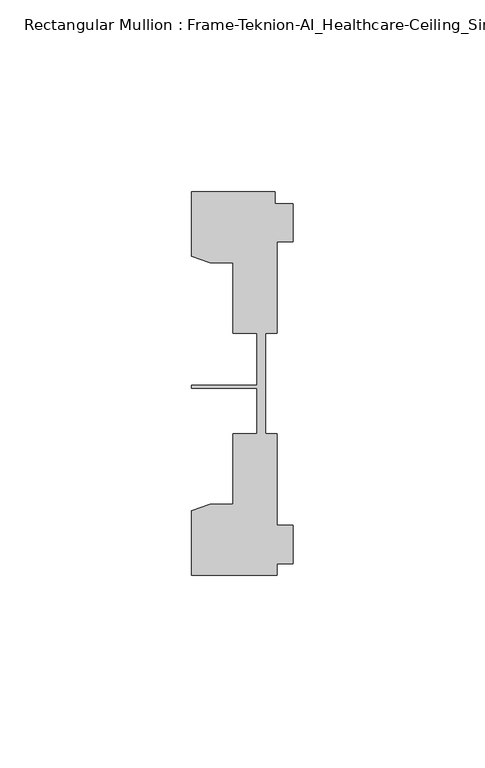
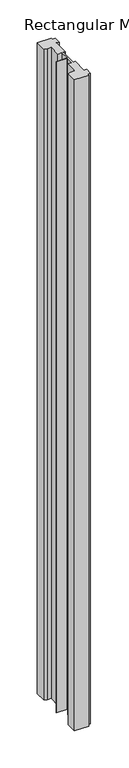
"""IFC4 building model written with IfcOpenShell, lengths in millimetres: member geometry, Rectangular Mullion : Frame-Teknion-AI_Healthcare-Ceiling_Single_Channel."""

from ifc_helpers import new_model, si_unit, frame, origin, place, context, project, spatial, polyline, outline, extrude, source, transform, mapped, element, save


def rectangular_mullion_frame_teknion_ai_healthcare_ceiling_5a15272b(model_context):
    return source(origin(), model_context, "Body", "SweptSolid", [
        extrude(outline(polyline([(-26.4921999, 34.0201677), (-26.4921999, 50.8315128), (-4.7752002, 50.8315128), (-4.7752002, 47.782071), (0.0, 47.782071), (0.0, 37.7820716), (-4.2672007, 37.7820716), (-4.2672007, 13.9110722), (-7.1647766, 13.9110722), (-7.1647766, 0.0814804), (-7.1647766, -12.2509301), (-4.2672007, -12.2509301), (-4.2672007, -36.1219249), (0.0, -36.1219249), (0.0, -46.1219322), (-4.2672007, -46.1219322), (-4.2672007, -49.1699293), (-26.4921999, -49.1699293), (-26.4921999, -32.3600207), (-21.6625199, -30.6279561), (-15.6737764, -30.6279561), (-15.6737764, -12.2509301), (-9.4507761, -12.2509301), (-9.4507761, -0.4036528), (-26.4921999, -0.4036528), (-26.4921999, 0.4036528), (-9.4507761, 0.4036528), (-9.4507761, 13.9110722), (-15.6737764, 13.9110722), (-15.6737764, 32.2880982), (-21.6625199, 32.2880982), (-26.4921999, 34.0201677)])), frame((0.0, 0.0, -1066.8), z_axis=(0.0, 0.0, 1.0), x_axis=(1.0, 0.0, 0.0)), (0.0, 0.0, 1.0), 1066.8),
    ])


if __name__ == "__main__":
    model = new_model("IFC4")
    model_context = context("Model", 3, world=origin())
    ifc_project = project(units=[si_unit("LENGTHUNIT", "METRE", prefix="MILLI")], contexts=[model_context])
    site = spatial("IfcSite", under=ifc_project)
    building = spatial("IfcBuilding", under=site)
    placement = place(None, origin())
    rectangular_mullion_frame_teknion_ai_healthcare_ceiling_shape = rectangular_mullion_frame_teknion_ai_healthcare_ceiling_5a15272b(model_context)
    element("IfcMember", 1, ObjectType="Rectangular Mullion : Frame-Teknion-AI_Healthcare-Ceiling_Single_Channel", at=placement, inside=building, context=model_context, shape_type="MappedRepresentation", body=[
        mapped(rectangular_mullion_frame_teknion_ai_healthcare_ceiling_shape, transform((0.0, 0.0, 0.0), x_axis=(1.0, 0.0, 0.0), y_axis=(0.0, 1.0, 0.0), z_axis=(0.0, 0.0, 1.0))),
    ])
    save(model, "model.ifc")
